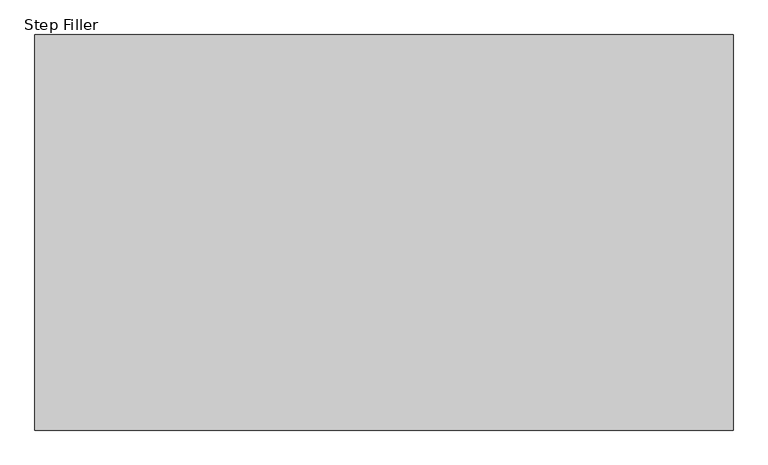
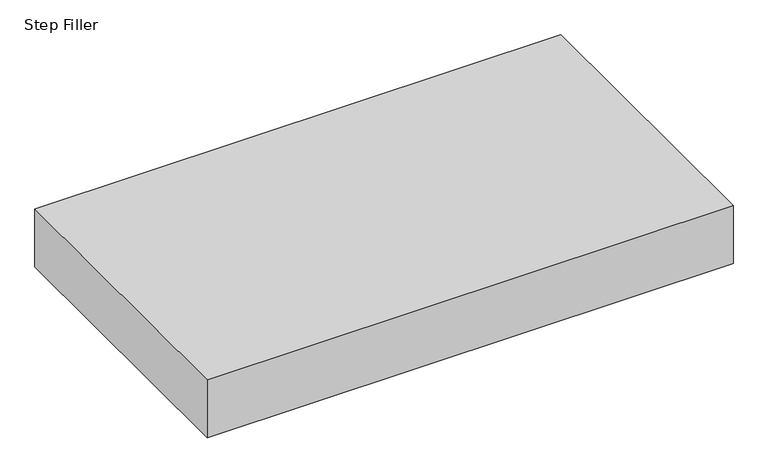
"""IFC4 building model written with IfcOpenShell, lengths in millimetres: proxy geometry, Step Filler."""

from ifc_helpers import new_model, si_unit, origin, origin_with_axes, place, context, project, spatial, polyline, outline, extrude, source, transform, mapped, element, save


def step_filler_442d90b5(model_context):
    return source(origin(), model_context, "Body", "SweptSolid", [
        extrude(outline(polyline([(762.0, 863.6), (762.0, 0.0), (-762.0, 0.0), (-762.0, 863.6), (762.0, 863.6)])), origin_with_axes(), (0.0, 0.0, 1.0), 177.8),
    ])


if __name__ == "__main__":
    model = new_model("IFC4")
    model_context = context("Model", 3, world=origin())
    ifc_project = project(units=[si_unit("LENGTHUNIT", "METRE", prefix="MILLI")], contexts=[model_context])
    site = spatial("IfcSite", under=ifc_project)
    building = spatial("IfcBuilding", under=site)
    placement = place(None, origin())
    step_filler_shape = step_filler_442d90b5(model_context)
    element("IfcBuildingElementProxy", 1, Name="Step Filler", ObjectType="Step Filler", at=placement, inside=building, context=model_context, shape_type="MappedRepresentation", body=[
        mapped(step_filler_shape, transform((0.0, 0.0, 0.0), x_axis=(1.0, 0.0, 0.0), y_axis=(0.0, 1.0, 0.0), z_axis=(0.0, 0.0, 1.0))),
    ])
    save(model, "model.ifc")
